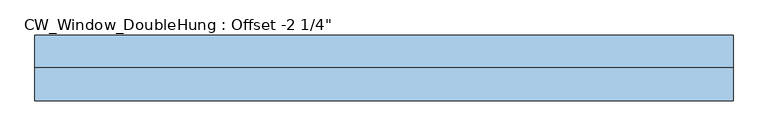
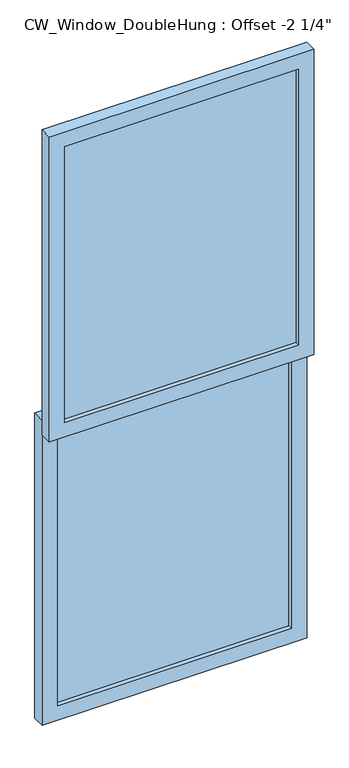
"""IFC4 building model written with IfcOpenShell, lengths in millimetres: window geometry."""

from ifc_helpers import new_model, si_unit, frame, origin, place, context, project, spatial, polyline, outline, extrude, source, transform, mapped, element, save


def window_daed7cff(model_context):
    return source(origin(), model_context, "Body", "SweptSolid", [
        extrude(outline(polyline([(2565.4, -539.75), (1250.95, -539.75), (1250.95, 539.75), (2565.4, 539.75), (2565.4, -539.75)]), holes=[polyline([(2501.9, -476.25), (2501.9, 476.25), (1314.45, 476.25), (1314.45, -476.25), (2501.9, -476.25)])]), frame((0.0, -57.15, 0.0), z_axis=(0.0, 1.0, 0.0), x_axis=(0.0, 0.0, 1.0)), (0.0, 0.0, 1.0), 50.8),
        extrude(outline(polyline([(476.25, -23.2833333), (476.25, -40.2166667), (-476.25, -40.2166667), (-476.25, -23.2833333), (476.25, -23.2833333)])), frame((0.0, 0.0, 1314.45), z_axis=(0.0, 0.0, 1.0), x_axis=(1.0, 0.0, 0.0)), (0.0, 0.0, 1.0), 1187.45),
        extrude(outline(polyline([(1314.45, -539.75), (0.0, -539.75), (0.0, 539.75), (1314.45, 539.75), (1314.45, -539.75)]), holes=[polyline([(1250.95, -476.25), (1250.95, 476.25), (63.5, 476.25), (63.5, -476.25), (1250.95, -476.25)])]), frame((0.0, -6.35, 0.0), z_axis=(0.0, 1.0, 0.0), x_axis=(0.0, 0.0, 1.0)), (0.0, 0.0, 1.0), 50.8),
        extrude(outline(polyline([(476.25, 27.5166667), (476.25, 10.5833333), (-476.25, 10.5833333), (-476.25, 27.5166667), (476.25, 27.5166667)])), frame((0.0, 0.0, 63.5), z_axis=(0.0, 0.0, 1.0), x_axis=(1.0, 0.0, 0.0)), (0.0, 0.0, 1.0), 1187.45),
    ])


if __name__ == "__main__":
    model = new_model("IFC4")
    model_context = context("Model", 3, world=origin())
    ifc_project = project(units=[si_unit("LENGTHUNIT", "METRE", prefix="MILLI")], contexts=[model_context])
    site = spatial("IfcSite", under=ifc_project)
    building = spatial("IfcBuilding", under=site)
    placement = place(None, origin())
    window_shape = window_daed7cff(model_context)
    element("IfcWindow", 1, ObjectType="CW_Window_DoubleHung : Offset -2 1/4\"", at=placement, inside=building, context=model_context, shape_type="MappedRepresentation", body=[
        mapped(window_shape, transform((0.0, 0.0, 0.0), x_axis=(1.0, 0.0, 0.0), y_axis=(0.0, 1.0, 0.0), z_axis=(0.0, 0.0, 1.0))),
    ])
    save(model, "model.ifc")
